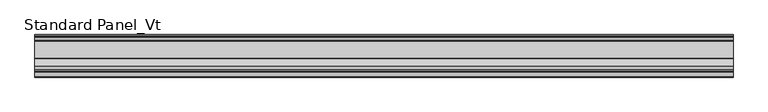
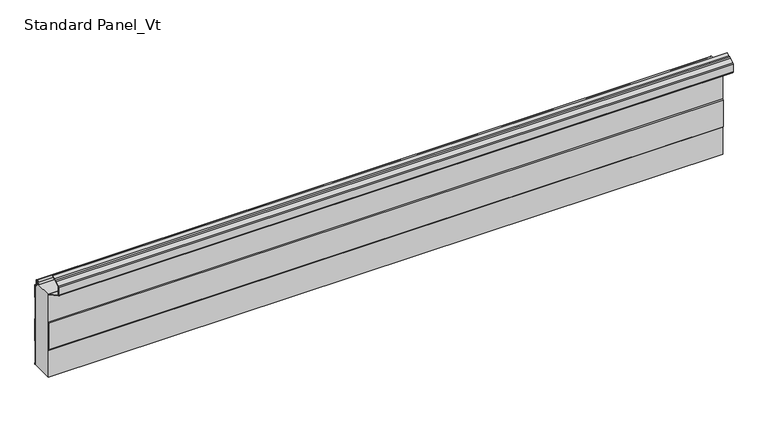
"""IFC4 building model written with IfcOpenShell, lengths in millimetres: proxy geometry, Standard Panel_Vt."""

from ifc_helpers import new_model, si_unit, point, frame, frame_2d, origin, place, context, project, spatial, polyline, circle_curve, trimmed, segment, composite_curve, outline, extrude, source, transform, mapped, element, save


def standard_panel_vt_c2b9a950(model_context):
    return source(origin(), model_context, "Body", "SweptSolid", [
        extrude(outline(composite_curve([segment(trimmed(circle_curve(frame_2d((-51.75, 186.656399)), 1.75), [point((-50.0, 186.656399))], [point((-50.9284248, 188.2015573))], True, "CARTESIAN"), True, "CONTINUOUS"), segment(polyline([(-50.9284248, 188.2015573), (-86.8563836, 207.3047918)]), True, "CONTINUOUS"), segment(trimmed(circle_curve(frame_2d((-85.5183897, 209.8211925)), 2.85), [point((-86.8563836, 207.3047918))], [point((-88.3683897, 209.8211925))], False, "CARTESIAN"), True, "CONTINUOUS"), segment(polyline([(-88.3683897, 209.8211925), (-88.3683897, 226.562)]), True, "CONTINUOUS"), segment(trimmed(circle_curve(frame_2d((-85.5183897, 226.562)), 2.85), [point((-88.3683897, 226.562))], [point((-86.8563836, 229.0784006))], False, "CARTESIAN"), True, "CONTINUOUS"), segment(polyline([(-86.8563836, 229.0784006), (-77.6702585, 233.96275), (-75.3708693, 236.3802976), (-72.000038, 236.9776597), (-66.2289737, 240.046189), (-65.8533964, 239.339831), (-71.7360251, 236.2119818), (-74.9723908, 235.638449), (-77.1800551, 233.3173397), (-86.4808064, 228.3720426)]), True, "CONTINUOUS"), segment(trimmed(circle_curve(frame_2d((-85.5183897, 226.562)), 2.05), [point((-86.4808064, 228.3720426))], [point((-87.5683897, 226.562))], True, "CARTESIAN"), True, "CONTINUOUS"), segment(polyline([(-87.5683897, 226.562), (-87.5683897, 209.8211925)]), True, "CONTINUOUS"), segment(trimmed(circle_curve(frame_2d((-85.5183897, 209.8211925)), 2.05), [point((-87.5683897, 209.8211925))], [point((-86.4808064, 208.0111499))], True, "CARTESIAN"), True, "CONTINUOUS"), segment(polyline([(-86.4808064, 208.0111499), (-50.5528475, 188.9079153)]), True, "CONTINUOUS"), segment(trimmed(circle_curve(frame_2d((-51.75, 186.656399)), 2.55), [point((-50.5528475, 188.9079153))], [point((-49.2, 186.656399))], False, "CARTESIAN"), True, "CONTINUOUS"), segment(polyline([(-49.2, 186.656399), (-49.2, 125.3618275), (-50.1683897, 122.9801942), (-50.1683897, 63.1888535), (-49.2, 60.8072201), (-49.2, 0.0), (-50.0, 0.0), (-50.0, 60.6507954), (-50.9683897, 63.0324287), (-50.9683897, 123.1366189), (-50.0, 125.5182523), (-50.0, 186.656399)]), True, "CONTINUOUS")], self_intersect=False)), frame((-723.9042608, 0.0, 0.0), z_axis=(1.0, 0.0, 0.0), x_axis=(0.0, 1.0, 0.0)), (0.0, 0.0, 1.0), 1447.8085217),
        extrude(outline(composite_curve([segment(polyline([(0.0, 3.3187443), (0.0, 0.0), (-0.8, 0.0), (-0.8, 3.1043849), (-1.8, 4.8364357), (-1.8, 51.3010528), (-0.786297, 53.0331036), (-0.786297, 102.1025902), (-1.786297, 103.8770917), (-1.786297, 150.3010528), (-0.786297, 152.0331036), (-0.786297, 179.046399)]), True, "CONTINUOUS"), segment(trimmed(circle_curve(frame_2d((-2.036297, 179.046399)), 1.25), [point((-0.786297, 179.046399))], [point((-2.036297, 180.296399))], True, "CARTESIAN"), True, "CONTINUOUS"), segment(polyline([(-2.036297, 180.296399), (-3.436297, 180.296399)]), True, "CONTINUOUS"), segment(trimmed(circle_curve(frame_2d((-3.436297, 183.046399)), 2.75), [point((-3.436297, 180.296399))], [point((-6.186297, 183.046399))], False, "CARTESIAN"), True, "CONTINUOUS"), segment(polyline([(-6.186297, 183.046399), (-6.186297, 192.846399)]), True, "CONTINUOUS"), segment(trimmed(circle_curve(frame_2d((-9.036297, 192.846399)), 2.85), [point((-6.186297, 192.846399))], [point((-11.8132517, 193.4875095))], True, "CARTESIAN"), True, "CONTINUOUS"), segment(polyline([(-11.8132517, 193.4875095), (-13.0699171, 188.0442938), (-13.8494131, 188.2242547), (-12.5927478, 193.6674703)]), True, "CONTINUOUS"), segment(trimmed(circle_curve(frame_2d((-9.036297, 192.846399)), 3.65), [point((-12.5927478, 193.6674703))], [point((-5.386297, 192.846399))], False, "CARTESIAN"), True, "CONTINUOUS"), segment(polyline([(-5.386297, 192.846399), (-5.386297, 183.046399)]), True, "CONTINUOUS"), segment(trimmed(circle_curve(frame_2d((-3.436297, 183.046399)), 1.95), [point((-5.386297, 183.046399))], [point((-3.436297, 181.096399))], True, "CARTESIAN"), True, "CONTINUOUS"), segment(polyline([(-3.436297, 181.096399), (-2.036297, 181.096399)]), True, "CONTINUOUS"), segment(trimmed(circle_curve(frame_2d((-2.036297, 179.046399)), 2.05), [point((-2.036297, 181.096399))], [point((0.013703, 179.046399))], False, "CARTESIAN"), True, "CONTINUOUS"), segment(polyline([(0.013703, 179.046399), (0.013703, 151.8187443), (-0.986297, 150.0866935), (-0.986297, 104.0869897), (0.013703, 102.3124882), (0.013703, 52.8187443), (-1.0, 51.0866935), (-1.0, 5.0507951), (0.0, 3.3187443)]), True, "CONTINUOUS")], self_intersect=False)), frame((-723.9042608, 0.0, 0.0), z_axis=(1.0, 0.0, 0.0), x_axis=(0.0, 1.0, 0.0)), (0.0, 0.0, 1.0), 1447.8085217),
        extrude(outline(composite_curve([segment(trimmed(circle_curve(frame_2d((-51.75, 186.656399)), 2.55), [point((-49.2, 186.656399))], [point((-49.6107833, 188.0442938))], True, "CARTESIAN"), True, "CONTINUOUS"), segment(polyline([(-49.6107833, 188.0442938), (-13.0699171, 188.0442938), (-11.8132517, 193.4875095)]), True, "CONTINUOUS"), segment(trimmed(circle_curve(frame_2d((-9.036297, 192.846399)), 2.85), [point((-11.8132517, 193.4875095))], [point((-6.186297, 192.846399))], False, "CARTESIAN"), True, "CONTINUOUS"), segment(polyline([(-6.186297, 192.846399), (-6.186297, 183.046399)]), True, "CONTINUOUS"), segment(trimmed(circle_curve(frame_2d((-3.436297, 183.046399)), 2.75), [point((-6.186297, 183.046399))], [point((-3.436297, 180.296399))], True, "CARTESIAN"), True, "CONTINUOUS"), segment(polyline([(-3.436297, 180.296399), (-2.036297, 180.296399)]), True, "CONTINUOUS"), segment(trimmed(circle_curve(frame_2d((-2.036297, 179.046399)), 1.25), [point((-2.036297, 180.296399))], [point((-0.786297, 179.046399))], False, "CARTESIAN"), True, "CONTINUOUS"), segment(polyline([(-0.786297, 179.046399), (-0.786297, 152.0331036), (-1.786297, 150.3010528), (-1.786297, 103.8770917), (-0.786297, 102.1025902), (-0.786297, 53.0331036), (-1.8, 51.3010528), (-1.8, 4.8364357), (-0.8, 3.1043849), (-0.8, 0.0), (-49.2, 0.0), (-49.2, 60.8072201), (-50.1683897, 63.1888535), (-50.1683897, 122.9801942), (-49.2, 125.3618275), (-49.2, 186.656399)]), True, "CONTINUOUS")], self_intersect=False)), frame((-723.9042608, 0.0, 0.0), z_axis=(1.0, 0.0, 0.0), x_axis=(0.0, 1.0, 0.0)), (0.0, 0.0, 1.0), 1447.8085217),
    ])


if __name__ == "__main__":
    model = new_model("IFC4")
    model_context = context("Model", 3, world=origin())
    ifc_project = project(units=[si_unit("LENGTHUNIT", "METRE", prefix="MILLI")], contexts=[model_context])
    site = spatial("IfcSite", under=ifc_project)
    building = spatial("IfcBuilding", under=site)
    placement = place(None, origin())
    standard_panel_vt_shape = standard_panel_vt_c2b9a950(model_context)
    element("IfcBuildingElementProxy", 1, Name="Standard Panel_Vt", ObjectType="Standard Panel_Vt", at=placement, inside=building, context=model_context, shape_type="MappedRepresentation", body=[
        mapped(standard_panel_vt_shape, transform((0.0, 0.0, 0.0), x_axis=(1.0, 0.0, 0.0), y_axis=(0.0, 1.0, 0.0), z_axis=(0.0, 0.0, 1.0))),
    ])
    save(model, "model.ifc")
